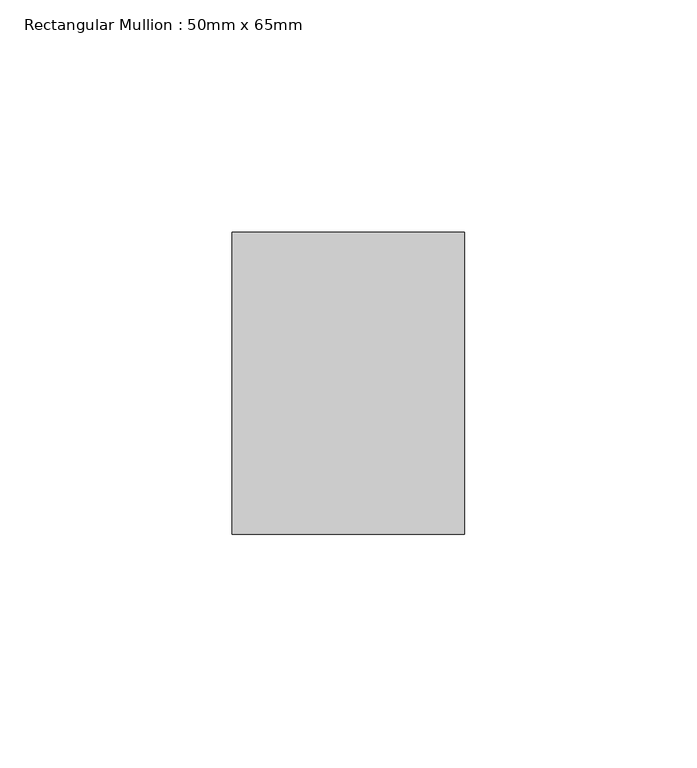
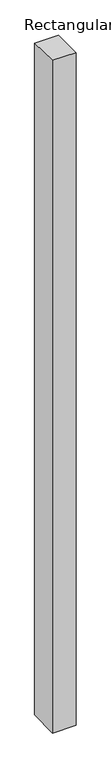
"""IFC4 building model written with IfcOpenShell, lengths in millimetres: member geometry, Rectangular Mullion : 50mm x 65mm."""

import ifcopenshell
import ifcopenshell.guid

model = None  # the IFC model being written
_history = None  # IfcOwnerHistory: only IFC2X3 demands one
_inside = {}  # id of a spatial element -> (the spatial element, [elements in it])
_under = {}  # id of a project, library or spatial element -> (it, [spatial elements below it])
_declared = {}  # id of a project -> (the project, [libraries it declares])
_typed = {}  # id of a type object -> (the type object, [elements of that type])
_made_of = {}  # id of a material, layer set ... -> (it, [elements and type objects made of it])


def new_model(schema):
    """Start an empty IFC model of exactly this schema.

    Asked for "IFC4X3", IfcOpenShell would pick the latest addendum, in which some entities
    have other attributes; the version numbers below select the first issue.
    IFC2X3 requires an IfcOwnerHistory on every rooted entity: one is made here for all.
    """
    global model, _history
    if schema == "IFC4X3":
        model = ifcopenshell.file(schema_version=(4, 3, 0, 0))
    else:
        model = ifcopenshell.file(schema=schema)
    _inside.clear()
    _under.clear()
    _declared.clear()
    _typed.clear()
    _made_of.clear()
    _history = None
    if model.schema == "IFC2X3":
        org = make("IfcOrganization", Name="unknown")
        user = make(
            "IfcPersonAndOrganization",
            ThePerson=make("IfcPerson", FamilyName="unknown"),
            TheOrganization=org,
        )
        app = make(
            "IfcApplication",
            ApplicationDeveloper=org,
            Version="unknown",
            ApplicationFullName="unknown",
            ApplicationIdentifier="unknown",
        )
        _history = make(
            "IfcOwnerHistory",
            OwningUser=user,
            OwningApplication=app,
            ChangeAction="ADDED",
            CreationDate=0,
        )
    return model


def make(cls, **values):
    """One entity of the class cls with the attributes given. An attribute that is None is left unset."""
    return model.create_entity(
        cls, **{name: value for name, value in values.items() if value is not None}
    )


def rooted(cls, **values):
    """An entity with a GlobalId (a new one), such as an element, a storey or a relation."""
    return make(cls, GlobalId=ifcopenshell.guid.new(), OwnerHistory=_history, **values)


def si_unit(unit_type, name, prefix=None):
    """IfcSIUnit, for example si_unit("LENGTHUNIT", "METRE", prefix="MILLI")."""
    return make("IfcSIUnit", UnitType=unit_type, Prefix=prefix, Name=name)


def assignment(units):
    """IfcUnitAssignment: the units of a project."""
    return None if units is None else make("IfcUnitAssignment", Units=units)


def point(xyz):
    """IfcCartesianPoint."""
    return None if xyz is None else make("IfcCartesianPoint", Coordinates=xyz)


def direction(xyz):
    """IfcDirection."""
    return None if xyz is None else make("IfcDirection", DirectionRatios=xyz)


def frame(location, z_axis=None, x_axis=None):
    """IfcAxis2Placement3D, a coordinate frame: its origin and axes. An axis left out is left unset."""
    return make(
        "IfcAxis2Placement3D",
        Location=point(location),
        Axis=direction(z_axis),
        RefDirection=direction(x_axis),
    )


def origin():
    """The frame at (0, 0, 0) with its axes left unset."""
    return frame((0.0, 0.0, 0.0))


def place(relative_to, where):
    """IfcLocalPlacement: puts the frame where relative to a parent placement (None: the world)."""
    return make(
        "IfcLocalPlacement", PlacementRelTo=relative_to, RelativePlacement=where
    )


def context(
    kind, dimensions, precision=None, world=None, true_north=None, identifier=None
):
    """IfcGeometricRepresentationContext, for example the 3D "Model" context."""
    return make(
        "IfcGeometricRepresentationContext",
        ContextIdentifier=identifier,
        ContextType=kind,
        CoordinateSpaceDimension=dimensions,
        Precision=precision,
        WorldCoordinateSystem=world,
        TrueNorth=true_north,
    )


def project(units=None, contexts=None):
    """IfcProject with its units and contexts."""
    return rooted(
        "IfcProject",
        Name="project",
        RepresentationContexts=contexts,
        UnitsInContext=assignment(units),
    )


def spatial(cls, under=None, at=None, **own):
    """A site, building, storey or space (cls), placed at a placement, below another one or the project."""
    s = rooted(cls, ObjectPlacement=at, **own)
    if under is not None:
        _under.setdefault(under.id(), (under, []))[1].append(s)
    return s


def polyline(points):
    """IfcPolyline through the points."""
    return make("IfcPolyline", Points=[point(p) for p in points])


def outline(outer, holes=None, kind="AREA"):
    """IfcArbitraryClosedProfileDef: a profile drawn as a closed curve; with holes, ...WithVoids."""
    if holes is None:
        return make("IfcArbitraryClosedProfileDef", ProfileType=kind, OuterCurve=outer)
    return make(
        "IfcArbitraryProfileDefWithVoids",
        ProfileType=kind,
        OuterCurve=outer,
        InnerCurves=holes,
    )


def extrude(swept, where, along, depth):
    """IfcExtrudedAreaSolid: the profile swept, set in the frame where, extruded along a direction by depth."""
    return make(
        "IfcExtrudedAreaSolid",
        SweptArea=swept,
        Position=where,
        ExtrudedDirection=direction(along),
        Depth=depth,
    )


def shape(context_of_items, identifier, shape_type, items):
    """IfcShapeRepresentation: the items that make up one representation, for example the "Body"."""
    return make(
        "IfcShapeRepresentation",
        ContextOfItems=context_of_items,
        RepresentationIdentifier=identifier,
        RepresentationType=shape_type,
        Items=items,
    )


def source(mapping_origin, context_of_items, identifier, shape_type, items):
    """IfcRepresentationMap: a shape defined once, which mapped items show again and again."""
    return make(
        "IfcRepresentationMap",
        MappingOrigin=mapping_origin,
        MappedRepresentation=shape(context_of_items, identifier, shape_type, items),
    )


def transform(
    local_origin,
    x_axis=None,
    y_axis=None,
    z_axis=None,
    scale=None,
    scale2=None,
    scale3=None,
    uniform=True,
):
    """IfcCartesianTransformationOperator3D, or its non-uniform kind. x_axis, y_axis, z_axis: its Axis1, 2, 3."""
    if uniform:
        return make(
            "IfcCartesianTransformationOperator3D",
            Axis1=direction(x_axis),
            Axis2=direction(y_axis),
            LocalOrigin=point(local_origin),
            Scale=scale,
            Axis3=direction(z_axis),
        )
    return make(
        "IfcCartesianTransformationOperator3DnonUniform",
        Axis1=direction(x_axis),
        Axis2=direction(y_axis),
        LocalOrigin=point(local_origin),
        Scale=scale,
        Axis3=direction(z_axis),
        Scale2=scale2,
        Scale3=scale3,
    )


def mapped(mapping_source, mapping_target):
    """IfcMappedItem: shows the shape of a source again, moved by a transform."""
    return make(
        "IfcMappedItem", MappingSource=mapping_source, MappingTarget=mapping_target
    )


def made_of(thing, what):
    """Note that an element or type object is made of a material, layer set ...; save() writes the relation."""
    if what is not None:
        _made_of.setdefault(what.id(), (what, []))[1].append(thing)
    return thing


def element(
    cls,
    number,
    at=None,
    inside=None,
    cuts=None,
    type_object=None,
    material=None,
    context=None,
    identifier="Body",
    shape_type=None,
    held_by="IfcProductDefinitionShape",
    body=None,
    shapes=None,
    **own,
):
    """One element of the class cls, such as IfcWall. Its Tag is "e" and its number.

    at: its placement. inside: the storey or other place that contains it. cuts: it is an
    opening in that element (IfcRelVoidsElement). A single representation is given by context,
    identifier, shape_type and body (its items); several are given by shapes. held_by: the class
    of the entity that holds the representations. save() writes the other relations.
    """
    e = rooted(cls, Tag="e%d" % number, ObjectPlacement=at, **own)
    if body is not None:
        shapes = [shape(context, identifier, shape_type, body)]
    if shapes is not None:
        e.Representation = make(held_by, Representations=shapes)
    if inside is not None:
        _inside.setdefault(inside.id(), (inside, []))[1].append(e)
    if cuts is not None:
        rooted(
            "IfcRelVoidsElement", RelatingBuildingElement=cuts, RelatedOpeningElement=e
        )
    if type_object is not None:
        _typed.setdefault(type_object.id(), (type_object, []))[1].append(e)
    return made_of(e, material)


def aggregate(whole, parts):
    """IfcRelAggregates: a whole, such as a stair, and the parts it consists of."""
    return rooted("IfcRelAggregates", RelatingObject=whole, RelatedObjects=parts)


def save(model, path):
    """Write the relations noted so far, then the file.

    IfcRelAggregates (storeys below a building ...), IfcRelContainedInSpatialStructure (elements
    in a storey), IfcRelDefinesByType, IfcRelAssociatesMaterial and IfcRelDeclares: one each for
    every whole, place, type object, material and project.
    """
    for whole, parts in _under.values():
        aggregate(whole, parts)
    for where, things in _inside.values():
        rooted(
            "IfcRelContainedInSpatialStructure",
            RelatedElements=things,
            RelatingStructure=where,
        )
    for kind, things in _typed.values():
        rooted("IfcRelDefinesByType", RelatedObjects=things, RelatingType=kind)
    for what, things in _made_of.values():
        rooted("IfcRelAssociatesMaterial", RelatedObjects=things, RelatingMaterial=what)
    for by, libraries in _declared.values():
        rooted("IfcRelDeclares", RelatingContext=by, RelatedDefinitions=libraries)
    model.write(path)


def rectangular_mullion_50mm_x_65mm_660e0105(model_context):
    return source(origin(), model_context, "Body", "SweptSolid", [
        extrude(outline(polyline([(-32.5, 0.5637251), (32.5, -0.5637249), (32.5, -1499.5042936), (-32.5, -1500.4976502), (-32.5, 0.5637251)])), frame((-25.0, 0.0, 0.0), z_axis=(1.0, 0.0, 0.0), x_axis=(0.0, 1.0, 0.0)), (0.0, 0.0, 1.0), 50.0),
    ])


if __name__ == "__main__":
    model = new_model("IFC4")
    model_context = context("Model", 3, world=origin())
    ifc_project = project(units=[si_unit("LENGTHUNIT", "METRE", prefix="MILLI")], contexts=[model_context])
    site = spatial("IfcSite", under=ifc_project)
    building = spatial("IfcBuilding", under=site)
    placement = place(None, origin())
    rectangular_mullion_50mm_x_65mm_shape = rectangular_mullion_50mm_x_65mm_660e0105(model_context)
    element("IfcMember", 1, ObjectType="Rectangular Mullion : 50mm x 65mm", at=placement, inside=building, context=model_context, shape_type="MappedRepresentation", body=[
        mapped(rectangular_mullion_50mm_x_65mm_shape, transform((0.0, 0.0, 0.0), x_axis=(1.0, 0.0, 0.0), y_axis=(0.0, 1.0, 0.0), z_axis=(0.0, 0.0, 1.0))),
    ])
    save(model, "model.ifc")
